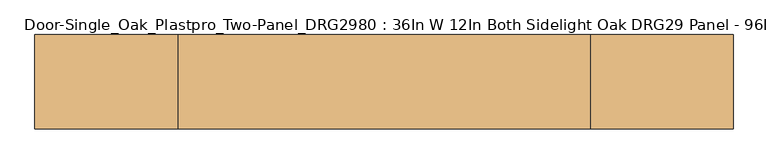
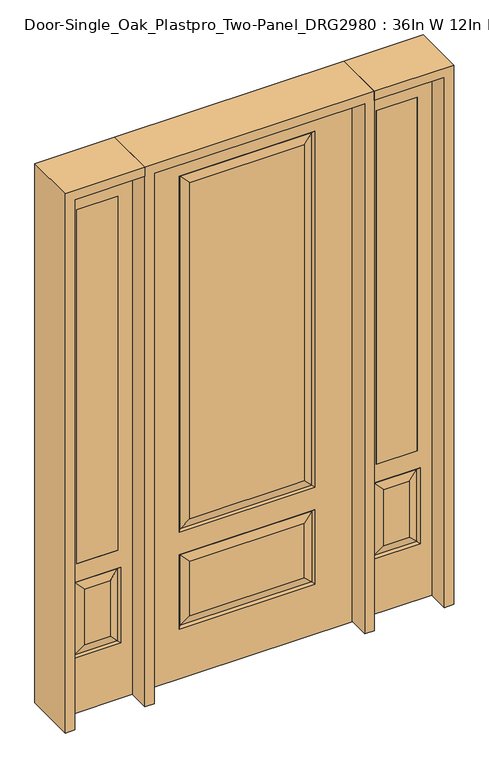
"""IFC4 building model written with IfcOpenShell, lengths in millimetres: door geometry, Door-Single_Oak_Plastpro_Two-Panel_DRG2980 : 36In W 12In Both Sidelight Oak DRG29 Panel - 96In."""

from ifc_helpers import new_model, si_unit, frame, origin, place, context, project, spatial, polyline, outline, extrude, faceted_brep, source, transform, mapped, element, save


def door_single_oak_plastpro_two_panel_drg2980_36in_w_12in_both_7e4e382f(model_context):
    return source(origin(), model_context, "Body", "SolidModel", [
        faceted_brep([(-286.1796986, -11.6572439, 562.4046986), (-249.1224548, -20.6375, 525.3474548), (249.1224548, -20.6375, 525.3474548), (286.1796986, -11.6572439, 562.4046986), (249.1224548, -20.6375, 274.7525452), (286.1796986, -11.6572439, 237.6953014), (457.2, 20.6375, 0.0), (457.2, -20.6375, 0.0), (-457.2, -20.6375, 0.0), (-457.2, 20.6375, 0.0), (457.2, 20.6375, 2438.4), (457.2, -20.6375, 2438.4), (-249.1224548, -20.6375, 719.2525452), (249.1224548, -20.6375, 719.2525452), (249.1224548, -20.6375, 2265.2474548), (-249.1224548, -20.6375, 2265.2474548), (-457.2, -20.6375, 2438.4), (295.1599548, -20.6375, 673.2150452), (-295.1599548, -20.6375, 673.2150452), (-295.1599548, -20.6375, 2311.2849548), (295.1599548, -20.6375, 2311.2849548), (295.1599548, -20.6375, 228.7150452), (-295.1599548, -20.6375, 228.7150452), (-295.1599548, -20.6375, 571.3849548), (295.1599548, -20.6375, 571.3849548), (-249.1224548, -20.6375, 274.7525452), (-249.1224548, 20.6375, 274.7525452), (-286.1796986, 11.6572439, 237.6953014), (-286.1796986, 11.6572439, 562.4046986), (-249.1224548, 20.6375, 525.3474548), (-295.1599548, 20.6375, 228.7150452), (-295.1599548, 20.6375, 571.3849548), (286.1796986, 11.6572439, 237.6953014), (249.1224548, 20.6375, 274.7525452), (249.1224548, 20.6375, 525.3474548), (286.1796986, 11.6572439, 562.4046986), (286.1796986, 11.6572439, 682.1953014), (-286.1796986, 11.6572439, 682.1953014), (-249.1224548, 20.6375, 719.2525452), (249.1224548, 20.6375, 719.2525452), (-286.1796986, 11.6572439, 2302.3046986), (-249.1224548, 20.6375, 2265.2474548), (295.1599548, 20.6375, 571.3849548), (-286.1796986, -11.6572439, 237.6953014), (-457.2, 20.6375, 2438.4), (295.1599548, 20.6375, 228.7150452), (-295.1599548, 20.6375, 673.2150452), (295.1599548, 20.6375, 673.2150452), (295.1599548, 20.6375, 2311.2849548), (-295.1599548, 20.6375, 2311.2849548), (249.1224548, 20.6375, 2265.2474548), (286.1796986, 11.6572439, 2302.3046986), (286.1796986, -11.6572439, 682.1953014), (-286.1796986, -11.6572439, 682.1953014), (-286.1796986, -11.6572439, 2302.3046986), (286.1796986, -11.6572439, 2302.3046986)], [[[0, 1, 2, 3]], [[4, 5, 3, 2]], [[6, 7, 8, 9]], [[10, 11, 7, 6]], [[12, 13, 14, 15]], [[11, 16, 8, 7], [17, 18, 19, 20], [21, 22, 23, 24]], [[25, 4, 2, 1]], [[26, 27, 28, 29]], [[27, 30, 31, 28]], [[32, 33, 34, 35]], [[36, 37, 38, 39]], [[38, 37, 40, 41]], [[28, 31, 42, 35]], [[22, 43, 0, 23]], [[23, 0, 3, 24]], [[16, 44, 9, 8]], [[33, 26, 29, 34]], [[44, 10, 6, 9], [30, 45, 42, 31], [46, 47, 48, 49]], [[39, 38, 41, 50]], [[10, 44, 16, 11]], [[47, 36, 51, 48]], [[27, 32, 45, 30]], [[36, 39, 50, 51]], [[45, 32, 35, 42]], [[37, 36, 47, 46]], [[37, 46, 49, 40]], [[32, 27, 26, 33]], [[29, 28, 35, 34]], [[52, 53, 18, 17]], [[18, 53, 54, 19]], [[52, 17, 20, 55]], [[53, 52, 13, 12]], [[13, 52, 55, 14]], [[53, 12, 15, 54]], [[5, 43, 22, 21]], [[5, 21, 24, 3]], [[43, 5, 4, 25]], [[43, 25, 1, 0]], [[19, 54, 55, 20]], [[54, 15, 14, 55]], [[41, 40, 51, 50]], [[40, 49, 48, 51]]]),
        extrude(outline(polyline([(739.775, -20.6375), (561.975, -20.6375), (561.975, 20.6375), (739.775, 20.6375), (739.775, -20.6375)])), frame((0.0, 0.0, 685.8), z_axis=(0.0, 0.0, 1.0), x_axis=(1.0, 0.0, 0.0)), (0.0, 0.0, 1.0), 1625.6),
        faceted_brep([(739.775, -20.6375, 2311.4), (561.975, -20.6375, 2311.4), (561.975, 20.6375, 2311.4), (739.775, 20.6375, 2311.4), (706.3224548, -20.6375, 557.0974548), (595.4275452, -20.6375, 557.0974548), (595.4275452, -20.6375, 300.1525452), (706.3224548, -20.6375, 300.1525452), (498.475, -20.6375, 2438.4), (498.475, -20.6375, 0.0), (803.275, -20.6375, 0.0), (803.275, -20.6375, 2438.4), (739.775, -20.6375, 685.8), (561.975, -20.6375, 685.8), (752.3599548, -20.6375, 254.1150452), (549.3900452, -20.6375, 254.1150452), (549.3900452, -20.6375, 603.1349548), (752.3599548, -20.6375, 603.1349548), (743.3796986, 11.6572439, 594.1546986), (752.3599548, 20.6375, 603.1349548), (752.3599548, 20.6375, 254.1150452), (743.3796986, 11.6572439, 263.0953014), (558.3703014, 11.6572439, 594.1546986), (549.3900452, 20.6375, 603.1349548), (706.3224548, 20.6375, 300.1525452), (706.3224548, 20.6375, 557.0974548), (739.775, 20.6375, 685.8), (561.975, 20.6375, 685.8), (558.3703014, -11.6572439, 263.0953014), (743.3796986, -11.6572439, 263.0953014), (558.3703014, -11.6572439, 594.1546986), (743.3796986, -11.6572439, 594.1546986), (498.475, 20.6375, 2438.4), (803.275, 20.6375, 2438.4), (498.475, 20.6375, 0.0), (803.275, 20.6375, 0.0), (549.3900452, 20.6375, 254.1150452), (595.4275452, 20.6375, 300.1525452), (595.4275452, 20.6375, 557.0974548), (558.3703014, 11.6572439, 263.0953014)], [[[0, 1, 2, 3]], [[4, 5, 6, 7]], [[8, 9, 10, 11], [0, 12, 13, 1], [14, 15, 16, 17]], [[18, 19, 20, 21]], [[18, 22, 23, 19]], [[21, 24, 25, 18]], [[26, 27, 13, 12]], [[7, 6, 28, 29]], [[6, 5, 30, 28]], [[29, 14, 17, 31]], [[32, 8, 11, 33]], [[34, 35, 10, 9]], [[32, 34, 9, 8]], [[11, 10, 35, 33]], [[33, 35, 34, 32], [19, 23, 36, 20], [2, 27, 26, 3]], [[24, 37, 38, 25]], [[20, 36, 39, 21]], [[36, 23, 22, 39]], [[25, 38, 22, 18]], [[39, 22, 38, 37]], [[21, 39, 37, 24]], [[3, 26, 12, 0]], [[1, 13, 27, 2]], [[31, 4, 7, 29]], [[31, 30, 5, 4]], [[17, 16, 30, 31]], [[28, 30, 16, 15]], [[29, 28, 15, 14]]]),
        extrude(outline(polyline([(-739.775, -20.6375), (-739.775, 20.6375), (-561.975, 20.6375), (-561.975, -20.6375), (-739.775, -20.6375)])), frame((0.0, 0.0, 685.8), z_axis=(0.0, 0.0, 1.0), x_axis=(1.0, 0.0, 0.0)), (0.0, 0.0, 1.0), 1625.6),
        faceted_brep([(-739.775, -20.6375, 2311.4), (-739.775, 20.6375, 2311.4), (-561.975, 20.6375, 2311.4), (-561.975, -20.6375, 2311.4), (-706.3224548, -20.6375, 557.0974548), (-706.3224548, -20.6375, 300.1525452), (-595.4275452, -20.6375, 300.1525452), (-595.4275452, -20.6375, 557.0974548), (-498.475, -20.6375, 2438.4), (-803.275, -20.6375, 2438.4), (-803.275, -20.6375, 0.0), (-498.475, -20.6375, 0.0), (-752.3599548, -20.6375, 254.1150452), (-752.3599548, -20.6375, 603.1349548), (-549.3900452, -20.6375, 603.1349548), (-549.3900452, -20.6375, 254.1150452), (-561.975, -20.6375, 685.8), (-739.775, -20.6375, 685.8), (-743.3796986, 11.6572439, 594.1546986), (-743.3796986, 11.6572439, 263.0953014), (-752.3599548, 20.6375, 254.1150452), (-752.3599548, 20.6375, 603.1349548), (-549.3900452, 20.6375, 603.1349548), (-558.3703014, 11.6572439, 594.1546986), (-706.3224548, 20.6375, 557.0974548), (-706.3224548, 20.6375, 300.1525452), (-739.775, 20.6375, 685.8), (-561.975, 20.6375, 685.8), (-743.3796986, -11.6572439, 263.0953014), (-558.3703014, -11.6572439, 263.0953014), (-558.3703014, -11.6572439, 594.1546986), (-743.3796986, -11.6572439, 594.1546986), (-498.475, 20.6375, 2438.4), (-803.275, 20.6375, 2438.4), (-498.475, 20.6375, 0.0), (-803.275, 20.6375, 0.0), (-549.3900452, 20.6375, 254.1150452), (-595.4275452, 20.6375, 557.0974548), (-595.4275452, 20.6375, 300.1525452), (-558.3703014, 11.6572439, 263.0953014)], [[[0, 1, 2, 3]], [[4, 5, 6, 7]], [[8, 9, 10, 11], [12, 13, 14, 15], [0, 3, 16, 17]], [[18, 19, 20, 21]], [[18, 21, 22, 23]], [[19, 18, 24, 25]], [[26, 17, 16, 27]], [[5, 28, 29, 6]], [[6, 29, 30, 7]], [[28, 31, 13, 12]], [[32, 33, 9, 8]], [[34, 11, 10, 35]], [[32, 8, 11, 34]], [[9, 33, 35, 10]], [[33, 32, 34, 35], [21, 20, 36, 22], [2, 1, 26, 27]], [[25, 24, 37, 38]], [[20, 19, 39, 36]], [[36, 39, 23, 22]], [[24, 18, 23, 37]], [[39, 38, 37, 23]], [[19, 25, 38, 39]], [[1, 0, 17, 26]], [[3, 2, 27, 16]], [[31, 28, 5, 4]], [[31, 4, 7, 30]], [[13, 31, 30, 14]], [[29, 15, 14, 30]], [[28, 12, 15, 29]]]),
        extrude(outline(polyline([(2438.4, -498.475), (2479.675, -498.475), (2479.675, -844.55), (0.0, -844.55), (0.0, -803.275), (2438.4, -803.275), (2438.4, -498.475)])), frame((0.0, -114.3, 0.0), z_axis=(0.0, 1.0, 0.0), x_axis=(0.0, 0.0, 1.0)), (0.0, 0.0, 1.0), 228.6),
        extrude(outline(polyline([(2479.675, -498.475), (0.0, -498.475), (0.0, -457.2), (2438.4, -457.2), (2438.4, 457.2), (0.0, 457.2), (0.0, 498.475), (2479.675, 498.475), (2479.675, -498.475)])), frame((0.0, -114.3, 0.0), z_axis=(0.0, 1.0, 0.0), x_axis=(0.0, 0.0, 1.0)), (0.0, 0.0, 1.0), 228.6),
        extrude(outline(polyline([(0.0, 803.275), (0.0, 844.55), (2479.675, 844.55), (2479.675, 498.475), (2438.4, 498.475), (2438.4, 803.275), (0.0, 803.275)])), frame((0.0, -114.3, 0.0), z_axis=(0.0, 1.0, 0.0), x_axis=(0.0, 0.0, 1.0)), (0.0, 0.0, 1.0), 228.6),
    ])


if __name__ == "__main__":
    model = new_model("IFC4")
    model_context = context("Model", 3, world=origin())
    ifc_project = project(units=[si_unit("LENGTHUNIT", "METRE", prefix="MILLI")], contexts=[model_context])
    site = spatial("IfcSite", under=ifc_project)
    building = spatial("IfcBuilding", under=site)
    placement = place(None, origin())
    door_single_oak_plastpro_two_panel_drg2980_36in_w_12in_both_shape = door_single_oak_plastpro_two_panel_drg2980_36in_w_12in_both_7e4e382f(model_context)
    element("IfcDoor", 1, ObjectType="Door-Single_Oak_Plastpro_Two-Panel_DRG2980 : 36In W 12In Both Sidelight Oak DRG29 Panel - 96In", at=placement, inside=building, context=model_context, shape_type="MappedRepresentation", body=[
        mapped(door_single_oak_plastpro_two_panel_drg2980_36in_w_12in_both_shape, transform((0.0, 0.0, 0.0), x_axis=(1.0, 0.0, 0.0), y_axis=(0.0, 1.0, 0.0), z_axis=(0.0, 0.0, 1.0))),
    ])
    save(model, "model.ifc")
